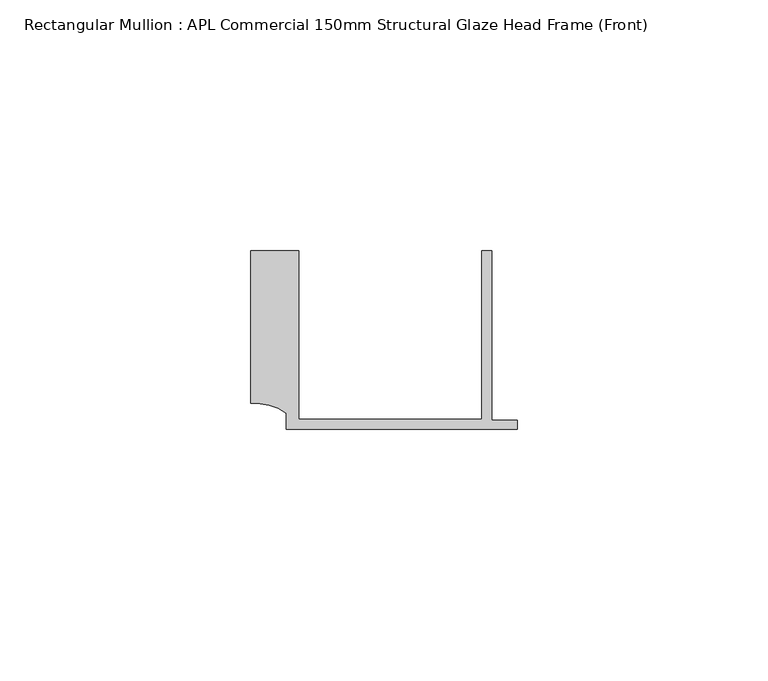
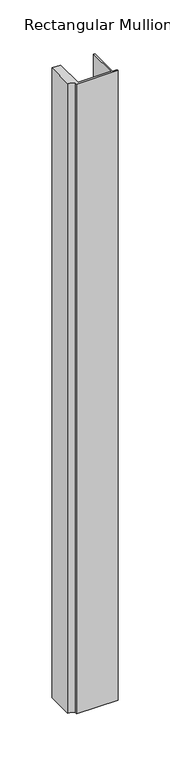
"""IFC4 building model written with IfcOpenShell, lengths in millimetres: member geometry, Rectangular Mullion : APL Commercial 150mm Structural Glaze Head Frame (Front)."""

import ifcopenshell
import ifcopenshell.guid

model = None  # the IFC model being written
_history = None  # IfcOwnerHistory: only IFC2X3 demands one
_inside = {}  # id of a spatial element -> (the spatial element, [elements in it])
_under = {}  # id of a project, library or spatial element -> (it, [spatial elements below it])
_declared = {}  # id of a project -> (the project, [libraries it declares])
_typed = {}  # id of a type object -> (the type object, [elements of that type])
_made_of = {}  # id of a material, layer set ... -> (it, [elements and type objects made of it])


def new_model(schema):
    """Start an empty IFC model of exactly this schema.

    Asked for "IFC4X3", IfcOpenShell would pick the latest addendum, in which some entities
    have other attributes; the version numbers below select the first issue.
    IFC2X3 requires an IfcOwnerHistory on every rooted entity: one is made here for all.
    """
    global model, _history
    if schema == "IFC4X3":
        model = ifcopenshell.file(schema_version=(4, 3, 0, 0))
    else:
        model = ifcopenshell.file(schema=schema)
    _inside.clear()
    _under.clear()
    _declared.clear()
    _typed.clear()
    _made_of.clear()
    _history = None
    if model.schema == "IFC2X3":
        org = make("IfcOrganization", Name="unknown")
        user = make(
            "IfcPersonAndOrganization",
            ThePerson=make("IfcPerson", FamilyName="unknown"),
            TheOrganization=org,
        )
        app = make(
            "IfcApplication",
            ApplicationDeveloper=org,
            Version="unknown",
            ApplicationFullName="unknown",
            ApplicationIdentifier="unknown",
        )
        _history = make(
            "IfcOwnerHistory",
            OwningUser=user,
            OwningApplication=app,
            ChangeAction="ADDED",
            CreationDate=0,
        )
    return model


def make(cls, **values):
    """One entity of the class cls with the attributes given. An attribute that is None is left unset."""
    return model.create_entity(
        cls, **{name: value for name, value in values.items() if value is not None}
    )


def rooted(cls, **values):
    """An entity with a GlobalId (a new one), such as an element, a storey or a relation."""
    return make(cls, GlobalId=ifcopenshell.guid.new(), OwnerHistory=_history, **values)


def si_unit(unit_type, name, prefix=None):
    """IfcSIUnit, for example si_unit("LENGTHUNIT", "METRE", prefix="MILLI")."""
    return make("IfcSIUnit", UnitType=unit_type, Prefix=prefix, Name=name)


def assignment(units):
    """IfcUnitAssignment: the units of a project."""
    return None if units is None else make("IfcUnitAssignment", Units=units)


def point(xyz):
    """IfcCartesianPoint."""
    return None if xyz is None else make("IfcCartesianPoint", Coordinates=xyz)


def direction(xyz):
    """IfcDirection."""
    return None if xyz is None else make("IfcDirection", DirectionRatios=xyz)


def frame(location, z_axis=None, x_axis=None):
    """IfcAxis2Placement3D, a coordinate frame: its origin and axes. An axis left out is left unset."""
    return make(
        "IfcAxis2Placement3D",
        Location=point(location),
        Axis=direction(z_axis),
        RefDirection=direction(x_axis),
    )


def frame_2d(location, x_axis=None):
    """IfcAxis2Placement2D, a coordinate frame in the plane: its origin and x axis."""
    return make(
        "IfcAxis2Placement2D", Location=point(location), RefDirection=direction(x_axis)
    )


def origin():
    """The frame at (0, 0, 0) with its axes left unset."""
    return frame((0.0, 0.0, 0.0))


def place(relative_to, where):
    """IfcLocalPlacement: puts the frame where relative to a parent placement (None: the world)."""
    return make(
        "IfcLocalPlacement", PlacementRelTo=relative_to, RelativePlacement=where
    )


def context(
    kind, dimensions, precision=None, world=None, true_north=None, identifier=None
):
    """IfcGeometricRepresentationContext, for example the 3D "Model" context."""
    return make(
        "IfcGeometricRepresentationContext",
        ContextIdentifier=identifier,
        ContextType=kind,
        CoordinateSpaceDimension=dimensions,
        Precision=precision,
        WorldCoordinateSystem=world,
        TrueNorth=true_north,
    )


def project(units=None, contexts=None):
    """IfcProject with its units and contexts."""
    return rooted(
        "IfcProject",
        Name="project",
        RepresentationContexts=contexts,
        UnitsInContext=assignment(units),
    )


def spatial(cls, under=None, at=None, **own):
    """A site, building, storey or space (cls), placed at a placement, below another one or the project."""
    s = rooted(cls, ObjectPlacement=at, **own)
    if under is not None:
        _under.setdefault(under.id(), (under, []))[1].append(s)
    return s


def polyline(points):
    """IfcPolyline through the points."""
    return make("IfcPolyline", Points=[point(p) for p in points])


def circle_curve(where, radius):
    """IfcCircle in the frame where."""
    return make("IfcCircle", Position=where, Radius=radius)


def trimmed(basis, trim1, trim2, sense, master):
    """IfcTrimmedCurve: the piece of a basis curve between two trims."""
    return make(
        "IfcTrimmedCurve",
        BasisCurve=basis,
        Trim1=trim1,
        Trim2=trim2,
        SenseAgreement=sense,
        MasterRepresentation=master,
    )


def segment(curve, same_sense, transition):
    """IfcCompositeCurveSegment."""
    return make(
        "IfcCompositeCurveSegment",
        Transition=transition,
        SameSense=same_sense,
        ParentCurve=curve,
    )


def composite_curve(segments, self_intersect=None):
    """IfcCompositeCurve: segments joined end to end."""
    return make("IfcCompositeCurve", Segments=segments, SelfIntersect=self_intersect)


def outline(outer, holes=None, kind="AREA"):
    """IfcArbitraryClosedProfileDef: a profile drawn as a closed curve; with holes, ...WithVoids."""
    if holes is None:
        return make("IfcArbitraryClosedProfileDef", ProfileType=kind, OuterCurve=outer)
    return make(
        "IfcArbitraryProfileDefWithVoids",
        ProfileType=kind,
        OuterCurve=outer,
        InnerCurves=holes,
    )


def extrude(swept, where, along, depth):
    """IfcExtrudedAreaSolid: the profile swept, set in the frame where, extruded along a direction by depth."""
    return make(
        "IfcExtrudedAreaSolid",
        SweptArea=swept,
        Position=where,
        ExtrudedDirection=direction(along),
        Depth=depth,
    )


def shape(context_of_items, identifier, shape_type, items):
    """IfcShapeRepresentation: the items that make up one representation, for example the "Body"."""
    return make(
        "IfcShapeRepresentation",
        ContextOfItems=context_of_items,
        RepresentationIdentifier=identifier,
        RepresentationType=shape_type,
        Items=items,
    )


def source(mapping_origin, context_of_items, identifier, shape_type, items):
    """IfcRepresentationMap: a shape defined once, which mapped items show again and again."""
    return make(
        "IfcRepresentationMap",
        MappingOrigin=mapping_origin,
        MappedRepresentation=shape(context_of_items, identifier, shape_type, items),
    )


def transform(
    local_origin,
    x_axis=None,
    y_axis=None,
    z_axis=None,
    scale=None,
    scale2=None,
    scale3=None,
    uniform=True,
):
    """IfcCartesianTransformationOperator3D, or its non-uniform kind. x_axis, y_axis, z_axis: its Axis1, 2, 3."""
    if uniform:
        return make(
            "IfcCartesianTransformationOperator3D",
            Axis1=direction(x_axis),
            Axis2=direction(y_axis),
            LocalOrigin=point(local_origin),
            Scale=scale,
            Axis3=direction(z_axis),
        )
    return make(
        "IfcCartesianTransformationOperator3DnonUniform",
        Axis1=direction(x_axis),
        Axis2=direction(y_axis),
        LocalOrigin=point(local_origin),
        Scale=scale,
        Axis3=direction(z_axis),
        Scale2=scale2,
        Scale3=scale3,
    )


def mapped(mapping_source, mapping_target):
    """IfcMappedItem: shows the shape of a source again, moved by a transform."""
    return make(
        "IfcMappedItem", MappingSource=mapping_source, MappingTarget=mapping_target
    )


def made_of(thing, what):
    """Note that an element or type object is made of a material, layer set ...; save() writes the relation."""
    if what is not None:
        _made_of.setdefault(what.id(), (what, []))[1].append(thing)
    return thing


def element(
    cls,
    number,
    at=None,
    inside=None,
    cuts=None,
    type_object=None,
    material=None,
    context=None,
    identifier="Body",
    shape_type=None,
    held_by="IfcProductDefinitionShape",
    body=None,
    shapes=None,
    **own,
):
    """One element of the class cls, such as IfcWall. Its Tag is "e" and its number.

    at: its placement. inside: the storey or other place that contains it. cuts: it is an
    opening in that element (IfcRelVoidsElement). A single representation is given by context,
    identifier, shape_type and body (its items); several are given by shapes. held_by: the class
    of the entity that holds the representations. save() writes the other relations.
    """
    e = rooted(cls, Tag="e%d" % number, ObjectPlacement=at, **own)
    if body is not None:
        shapes = [shape(context, identifier, shape_type, body)]
    if shapes is not None:
        e.Representation = make(held_by, Representations=shapes)
    if inside is not None:
        _inside.setdefault(inside.id(), (inside, []))[1].append(e)
    if cuts is not None:
        rooted(
            "IfcRelVoidsElement", RelatingBuildingElement=cuts, RelatedOpeningElement=e
        )
    if type_object is not None:
        _typed.setdefault(type_object.id(), (type_object, []))[1].append(e)
    return made_of(e, material)


def aggregate(whole, parts):
    """IfcRelAggregates: a whole, such as a stair, and the parts it consists of."""
    return rooted("IfcRelAggregates", RelatingObject=whole, RelatedObjects=parts)


def save(model, path):
    """Write the relations noted so far, then the file.

    IfcRelAggregates (storeys below a building ...), IfcRelContainedInSpatialStructure (elements
    in a storey), IfcRelDefinesByType, IfcRelAssociatesMaterial and IfcRelDeclares: one each for
    every whole, place, type object, material and project.
    """
    for whole, parts in _under.values():
        aggregate(whole, parts)
    for where, things in _inside.values():
        rooted(
            "IfcRelContainedInSpatialStructure",
            RelatedElements=things,
            RelatingStructure=where,
        )
    for kind, things in _typed.values():
        rooted("IfcRelDefinesByType", RelatedObjects=things, RelatingType=kind)
    for what, things in _made_of.values():
        rooted("IfcRelAssociatesMaterial", RelatedObjects=things, RelatingMaterial=what)
    for by, libraries in _declared.values():
        rooted("IfcRelDeclares", RelatingContext=by, RelatedDefinitions=libraries)
    model.write(path)


def rectangular_mullion_apl_commercial_150mm_structural_glaze_3fb5f0a0(model_context):
    return source(origin(), model_context, "Body", "SweptSolid", [
        extrude(outline(composite_curve([segment(polyline([(-52.9999542, 15.0), (-43.5000151, 15.0), (-43.5000151, -18.5002486), (-7.0, -18.5002486), (-7.0, 15.0), (-5.0, 15.0), (-5.0, -18.7002486), (0.0, -18.7002486), (0.0, -20.5002486), (-45.9999994, -20.5002486), (-45.9999994, -17.3126154)]), True, "CONTINUOUS"), segment(trimmed(circle_curve(frame_2d((-52.109817, -25.7982641)), 10.4563907), [point((-45.9999994, -17.3126154))], [point((-52.9999542, -15.3798304))], True, "CARTESIAN"), True, "CONTINUOUS"), segment(polyline([(-52.9999542, -15.3798304), (-52.9999542, 15.0)]), True, "CONTINUOUS")], self_intersect=False)), frame((0.0, 0.0, -738.0468629), z_axis=(0.0, 0.0, 1.0), x_axis=(1.0, 0.0, 0.0)), (0.0, 0.0, 1.0), 738.0468629),
    ])


if __name__ == "__main__":
    model = new_model("IFC4")
    model_context = context("Model", 3, world=origin())
    ifc_project = project(units=[si_unit("LENGTHUNIT", "METRE", prefix="MILLI")], contexts=[model_context])
    site = spatial("IfcSite", under=ifc_project)
    building = spatial("IfcBuilding", under=site)
    placement = place(None, origin())
    rectangular_mullion_apl_commercial_150mm_structural_glaze_shape = rectangular_mullion_apl_commercial_150mm_structural_glaze_3fb5f0a0(model_context)
    element("IfcMember", 1, ObjectType="Rectangular Mullion : APL Commercial 150mm Structural Glaze Head Frame (Front)", at=placement, inside=building, context=model_context, shape_type="MappedRepresentation", body=[
        mapped(rectangular_mullion_apl_commercial_150mm_structural_glaze_shape, transform((0.0, 0.0, 0.0), x_axis=(1.0, 0.0, 0.0), y_axis=(0.0, 1.0, 0.0), z_axis=(0.0, 0.0, 1.0))),
    ])
    save(model, "model.ifc")
